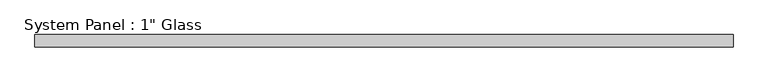
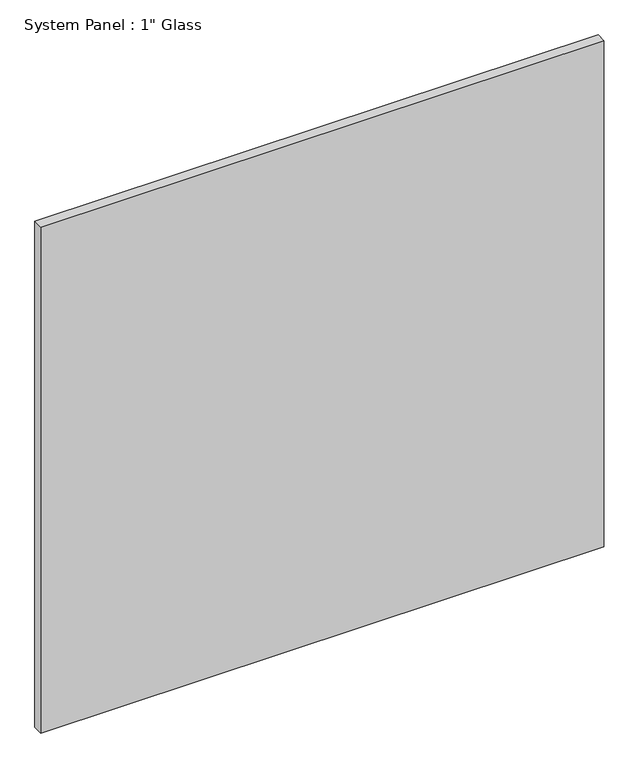
"""IFC4 building model written with IfcOpenShell, lengths in millimetres: plate geometry."""

from ifc_helpers import new_model, si_unit, origin, origin_with_axes, place, context, project, spatial, polyline, outline, extrude, source, transform, mapped, element, save


def plate_90aa6c65(model_context):
    return source(origin(), model_context, "Body", "SweptSolid", [
        extrude(outline(polyline([(731.2586839, -12.7), (-731.2586839, -12.7), (-731.2586839, 12.7), (731.2586839, 12.7), (731.2586839, -12.7)])), origin_with_axes(), (0.0, 0.0, 1.0), 1388.8591382),
    ])


if __name__ == "__main__":
    model = new_model("IFC4")
    model_context = context("Model", 3, world=origin())
    ifc_project = project(units=[si_unit("LENGTHUNIT", "METRE", prefix="MILLI")], contexts=[model_context])
    site = spatial("IfcSite", under=ifc_project)
    building = spatial("IfcBuilding", under=site)
    placement = place(None, origin())
    plate_shape = plate_90aa6c65(model_context)
    element("IfcPlate", 1, ObjectType="System Panel : 1\" Glass", at=placement, inside=building, context=model_context, shape_type="MappedRepresentation", body=[
        mapped(plate_shape, transform((0.0, 0.0, 0.0), x_axis=(1.0, 0.0, 0.0), y_axis=(0.0, 1.0, 0.0), z_axis=(0.0, 0.0, 1.0))),
    ])
    save(model, "model.ifc")
